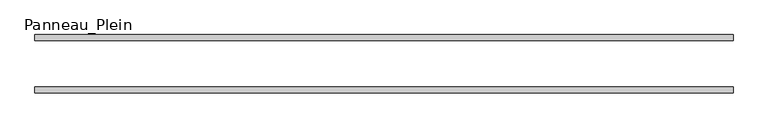
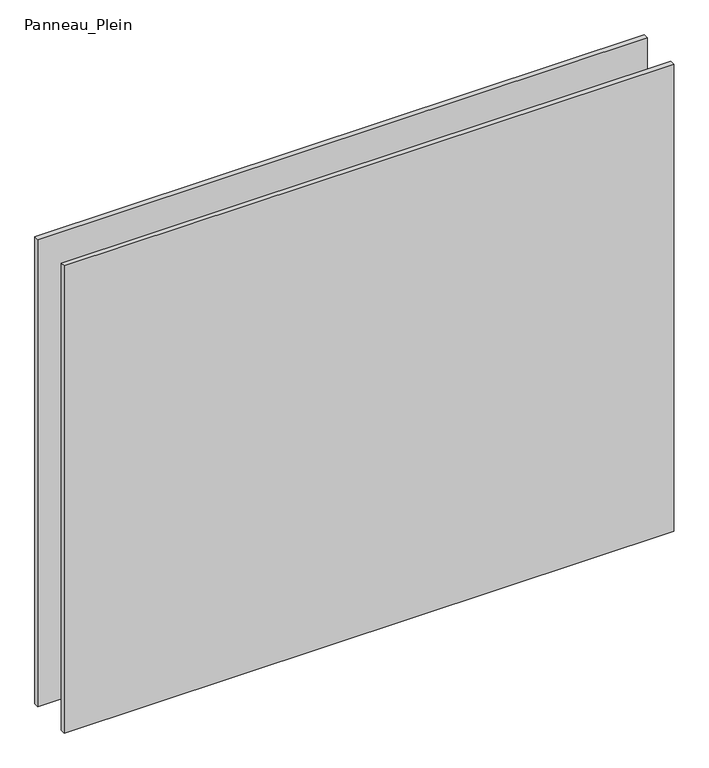
"""IFC4 building model written with IfcOpenShell, lengths in millimetres: plate geometry, Panneau_Plein."""

from ifc_helpers import new_model, si_unit, origin, origin_with_axes, place, context, project, spatial, polyline, outline, extrude, source, transform, mapped, element, save


def panneau_plein_fde7b1e4(model_context):
    return source(origin(), model_context, "Body", "SweptSolid", [
        extrude(outline(polyline([(599.3000002, 50.0), (599.3000002, 40.0), (-599.3000002, 40.0), (-599.3000002, 50.0), (599.3000002, 50.0)])), origin_with_axes(), (0.0, 0.0, 1.0), 971.1805856),
        extrude(outline(polyline([(599.3000002, -40.0), (599.3000002, -50.0), (-599.3000002, -50.0), (-599.3000002, -40.0), (599.3000002, -40.0)])), origin_with_axes(), (0.0, 0.0, 1.0), 971.1805856),
    ])


if __name__ == "__main__":
    model = new_model("IFC4")
    model_context = context("Model", 3, world=origin())
    ifc_project = project(units=[si_unit("LENGTHUNIT", "METRE", prefix="MILLI")], contexts=[model_context])
    site = spatial("IfcSite", under=ifc_project)
    building = spatial("IfcBuilding", under=site)
    placement = place(None, origin())
    panneau_plein_shape = panneau_plein_fde7b1e4(model_context)
    element("IfcPlate", 1, ObjectType="Panneau_Plein", at=placement, inside=building, context=model_context, shape_type="MappedRepresentation", body=[
        mapped(panneau_plein_shape, transform((0.0, 0.0, 0.0), x_axis=(1.0, 0.0, 0.0), y_axis=(0.0, 1.0, 0.0), z_axis=(0.0, 0.0, 1.0))),
    ])
    save(model, "model.ifc")
